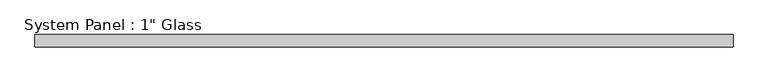
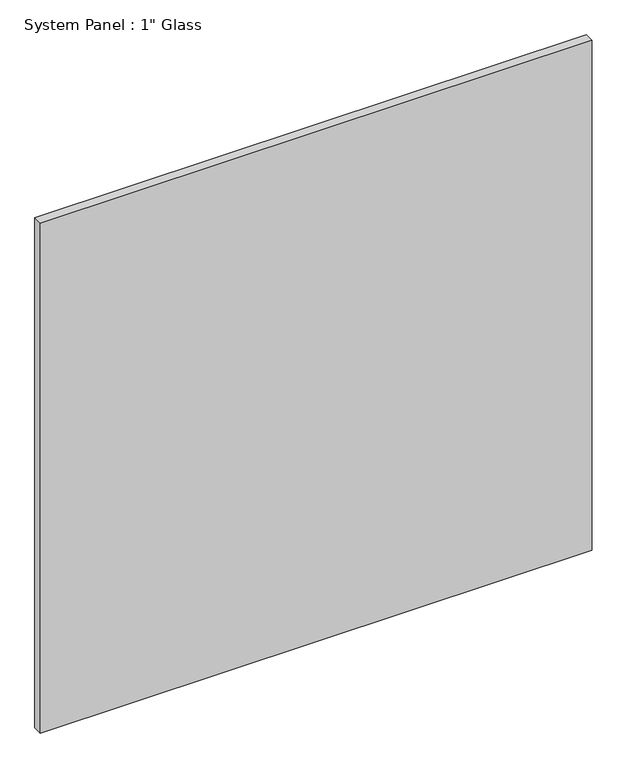
"""IFC4 building model written with IfcOpenShell, lengths in millimetres: plate geometry."""

import ifcopenshell
import ifcopenshell.guid

model = None  # the IFC model being written
_history = None  # IfcOwnerHistory: only IFC2X3 demands one
_inside = {}  # id of a spatial element -> (the spatial element, [elements in it])
_under = {}  # id of a project, library or spatial element -> (it, [spatial elements below it])
_declared = {}  # id of a project -> (the project, [libraries it declares])
_typed = {}  # id of a type object -> (the type object, [elements of that type])
_made_of = {}  # id of a material, layer set ... -> (it, [elements and type objects made of it])


def new_model(schema):
    """Start an empty IFC model of exactly this schema.

    Asked for "IFC4X3", IfcOpenShell would pick the latest addendum, in which some entities
    have other attributes; the version numbers below select the first issue.
    IFC2X3 requires an IfcOwnerHistory on every rooted entity: one is made here for all.
    """
    global model, _history
    if schema == "IFC4X3":
        model = ifcopenshell.file(schema_version=(4, 3, 0, 0))
    else:
        model = ifcopenshell.file(schema=schema)
    _inside.clear()
    _under.clear()
    _declared.clear()
    _typed.clear()
    _made_of.clear()
    _history = None
    if model.schema == "IFC2X3":
        org = make("IfcOrganization", Name="unknown")
        user = make(
            "IfcPersonAndOrganization",
            ThePerson=make("IfcPerson", FamilyName="unknown"),
            TheOrganization=org,
        )
        app = make(
            "IfcApplication",
            ApplicationDeveloper=org,
            Version="unknown",
            ApplicationFullName="unknown",
            ApplicationIdentifier="unknown",
        )
        _history = make(
            "IfcOwnerHistory",
            OwningUser=user,
            OwningApplication=app,
            ChangeAction="ADDED",
            CreationDate=0,
        )
    return model


def make(cls, **values):
    """One entity of the class cls with the attributes given. An attribute that is None is left unset."""
    return model.create_entity(
        cls, **{name: value for name, value in values.items() if value is not None}
    )


def rooted(cls, **values):
    """An entity with a GlobalId (a new one), such as an element, a storey or a relation."""
    return make(cls, GlobalId=ifcopenshell.guid.new(), OwnerHistory=_history, **values)


def si_unit(unit_type, name, prefix=None):
    """IfcSIUnit, for example si_unit("LENGTHUNIT", "METRE", prefix="MILLI")."""
    return make("IfcSIUnit", UnitType=unit_type, Prefix=prefix, Name=name)


def assignment(units):
    """IfcUnitAssignment: the units of a project."""
    return None if units is None else make("IfcUnitAssignment", Units=units)


def point(xyz):
    """IfcCartesianPoint."""
    return None if xyz is None else make("IfcCartesianPoint", Coordinates=xyz)


def direction(xyz):
    """IfcDirection."""
    return None if xyz is None else make("IfcDirection", DirectionRatios=xyz)


def frame(location, z_axis=None, x_axis=None):
    """IfcAxis2Placement3D, a coordinate frame: its origin and axes. An axis left out is left unset."""
    return make(
        "IfcAxis2Placement3D",
        Location=point(location),
        Axis=direction(z_axis),
        RefDirection=direction(x_axis),
    )


def origin():
    """The frame at (0, 0, 0) with its axes left unset."""
    return frame((0.0, 0.0, 0.0))


def origin_with_axes():
    """The frame at (0, 0, 0) with the z axis (0, 0, 1) and the x axis (1, 0, 0) written out."""
    return frame((0.0, 0.0, 0.0), z_axis=(0.0, 0.0, 1.0), x_axis=(1.0, 0.0, 0.0))


def place(relative_to, where):
    """IfcLocalPlacement: puts the frame where relative to a parent placement (None: the world)."""
    return make(
        "IfcLocalPlacement", PlacementRelTo=relative_to, RelativePlacement=where
    )


def context(
    kind, dimensions, precision=None, world=None, true_north=None, identifier=None
):
    """IfcGeometricRepresentationContext, for example the 3D "Model" context."""
    return make(
        "IfcGeometricRepresentationContext",
        ContextIdentifier=identifier,
        ContextType=kind,
        CoordinateSpaceDimension=dimensions,
        Precision=precision,
        WorldCoordinateSystem=world,
        TrueNorth=true_north,
    )


def project(units=None, contexts=None):
    """IfcProject with its units and contexts."""
    return rooted(
        "IfcProject",
        Name="project",
        RepresentationContexts=contexts,
        UnitsInContext=assignment(units),
    )


def spatial(cls, under=None, at=None, **own):
    """A site, building, storey or space (cls), placed at a placement, below another one or the project."""
    s = rooted(cls, ObjectPlacement=at, **own)
    if under is not None:
        _under.setdefault(under.id(), (under, []))[1].append(s)
    return s


def polyline(points):
    """IfcPolyline through the points."""
    return make("IfcPolyline", Points=[point(p) for p in points])


def outline(outer, holes=None, kind="AREA"):
    """IfcArbitraryClosedProfileDef: a profile drawn as a closed curve; with holes, ...WithVoids."""
    if holes is None:
        return make("IfcArbitraryClosedProfileDef", ProfileType=kind, OuterCurve=outer)
    return make(
        "IfcArbitraryProfileDefWithVoids",
        ProfileType=kind,
        OuterCurve=outer,
        InnerCurves=holes,
    )


def extrude(swept, where, along, depth):
    """IfcExtrudedAreaSolid: the profile swept, set in the frame where, extruded along a direction by depth."""
    return make(
        "IfcExtrudedAreaSolid",
        SweptArea=swept,
        Position=where,
        ExtrudedDirection=direction(along),
        Depth=depth,
    )


def shape(context_of_items, identifier, shape_type, items):
    """IfcShapeRepresentation: the items that make up one representation, for example the "Body"."""
    return make(
        "IfcShapeRepresentation",
        ContextOfItems=context_of_items,
        RepresentationIdentifier=identifier,
        RepresentationType=shape_type,
        Items=items,
    )


def source(mapping_origin, context_of_items, identifier, shape_type, items):
    """IfcRepresentationMap: a shape defined once, which mapped items show again and again."""
    return make(
        "IfcRepresentationMap",
        MappingOrigin=mapping_origin,
        MappedRepresentation=shape(context_of_items, identifier, shape_type, items),
    )


def transform(
    local_origin,
    x_axis=None,
    y_axis=None,
    z_axis=None,
    scale=None,
    scale2=None,
    scale3=None,
    uniform=True,
):
    """IfcCartesianTransformationOperator3D, or its non-uniform kind. x_axis, y_axis, z_axis: its Axis1, 2, 3."""
    if uniform:
        return make(
            "IfcCartesianTransformationOperator3D",
            Axis1=direction(x_axis),
            Axis2=direction(y_axis),
            LocalOrigin=point(local_origin),
            Scale=scale,
            Axis3=direction(z_axis),
        )
    return make(
        "IfcCartesianTransformationOperator3DnonUniform",
        Axis1=direction(x_axis),
        Axis2=direction(y_axis),
        LocalOrigin=point(local_origin),
        Scale=scale,
        Axis3=direction(z_axis),
        Scale2=scale2,
        Scale3=scale3,
    )


def mapped(mapping_source, mapping_target):
    """IfcMappedItem: shows the shape of a source again, moved by a transform."""
    return make(
        "IfcMappedItem", MappingSource=mapping_source, MappingTarget=mapping_target
    )


def made_of(thing, what):
    """Note that an element or type object is made of a material, layer set ...; save() writes the relation."""
    if what is not None:
        _made_of.setdefault(what.id(), (what, []))[1].append(thing)
    return thing


def element(
    cls,
    number,
    at=None,
    inside=None,
    cuts=None,
    type_object=None,
    material=None,
    context=None,
    identifier="Body",
    shape_type=None,
    held_by="IfcProductDefinitionShape",
    body=None,
    shapes=None,
    **own,
):
    """One element of the class cls, such as IfcWall. Its Tag is "e" and its number.

    at: its placement. inside: the storey or other place that contains it. cuts: it is an
    opening in that element (IfcRelVoidsElement). A single representation is given by context,
    identifier, shape_type and body (its items); several are given by shapes. held_by: the class
    of the entity that holds the representations. save() writes the other relations.
    """
    e = rooted(cls, Tag="e%d" % number, ObjectPlacement=at, **own)
    if body is not None:
        shapes = [shape(context, identifier, shape_type, body)]
    if shapes is not None:
        e.Representation = make(held_by, Representations=shapes)
    if inside is not None:
        _inside.setdefault(inside.id(), (inside, []))[1].append(e)
    if cuts is not None:
        rooted(
            "IfcRelVoidsElement", RelatingBuildingElement=cuts, RelatedOpeningElement=e
        )
    if type_object is not None:
        _typed.setdefault(type_object.id(), (type_object, []))[1].append(e)
    return made_of(e, material)


def aggregate(whole, parts):
    """IfcRelAggregates: a whole, such as a stair, and the parts it consists of."""
    return rooted("IfcRelAggregates", RelatingObject=whole, RelatedObjects=parts)


def save(model, path):
    """Write the relations noted so far, then the file.

    IfcRelAggregates (storeys below a building ...), IfcRelContainedInSpatialStructure (elements
    in a storey), IfcRelDefinesByType, IfcRelAssociatesMaterial and IfcRelDeclares: one each for
    every whole, place, type object, material and project.
    """
    for whole, parts in _under.values():
        aggregate(whole, parts)
    for where, things in _inside.values():
        rooted(
            "IfcRelContainedInSpatialStructure",
            RelatedElements=things,
            RelatingStructure=where,
        )
    for kind, things in _typed.values():
        rooted("IfcRelDefinesByType", RelatedObjects=things, RelatingType=kind)
    for what, things in _made_of.values():
        rooted("IfcRelAssociatesMaterial", RelatedObjects=things, RelatingMaterial=what)
    for by, libraries in _declared.values():
        rooted("IfcRelDeclares", RelatingContext=by, RelatedDefinitions=libraries)
    model.write(path)


def plate_84a3765b(model_context):
    return source(origin(), model_context, "Body", "SweptSolid", [
        extrude(outline(polyline([(729.2430865, -12.7), (-729.2430865, -12.7), (-729.2430865, 12.7), (729.2430865, 12.7), (729.2430865, -12.7)])), origin_with_axes(), (0.0, 0.0, 1.0), 1424.9417704),
    ])


if __name__ == "__main__":
    model = new_model("IFC4")
    model_context = context("Model", 3, world=origin())
    ifc_project = project(units=[si_unit("LENGTHUNIT", "METRE", prefix="MILLI")], contexts=[model_context])
    site = spatial("IfcSite", under=ifc_project)
    building = spatial("IfcBuilding", under=site)
    placement = place(None, origin())
    plate_shape = plate_84a3765b(model_context)
    element("IfcPlate", 1, ObjectType="System Panel : 1\" Glass", at=placement, inside=building, context=model_context, shape_type="MappedRepresentation", body=[
        mapped(plate_shape, transform((0.0, 0.0, 0.0), x_axis=(1.0, 0.0, 0.0), y_axis=(0.0, 1.0, 0.0), z_axis=(0.0, 0.0, 1.0))),
    ])
    save(model, "model.ifc")
